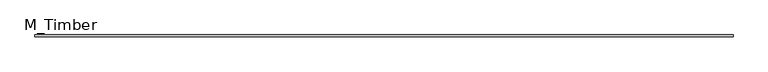
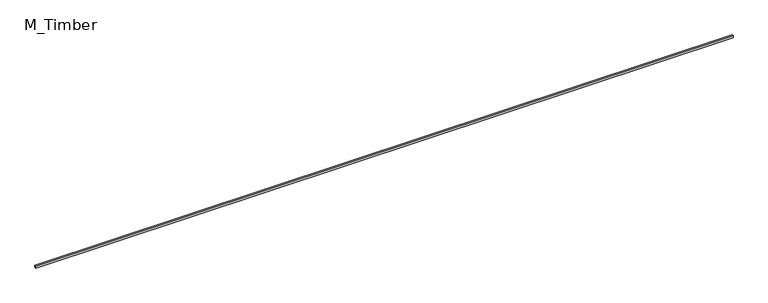
"""IFC4 building model written with IfcOpenShell, lengths in millimetres: beam geometry, M_Timber."""

from ifc_helpers import new_model, si_unit, frame, origin, place, context, project, spatial, polyline, outline, extrude, source, transform, mapped, element, save


def m_timber_33ece96e(model_context):
    return source(origin(), model_context, "Body", "SweptSolid", [
        extrude(outline(polyline([(7580.2060947, 20.0), (7580.2060947, -20.0), (-7580.2060947, -20.0), (-7580.2060947, 20.0), (7580.2060947, 20.0)])), frame((0.0, 0.0, -20.0), z_axis=(0.0, 0.0, 1.0), x_axis=(1.0, 0.0, 0.0)), (0.0, 0.0, 1.0), 40.0),
    ])


if __name__ == "__main__":
    model = new_model("IFC4")
    model_context = context("Model", 3, world=origin())
    ifc_project = project(units=[si_unit("LENGTHUNIT", "METRE", prefix="MILLI")], contexts=[model_context])
    site = spatial("IfcSite", under=ifc_project)
    building = spatial("IfcBuilding", under=site)
    placement = place(None, origin())
    m_timber_shape = m_timber_33ece96e(model_context)
    element("IfcBeam", 1, ObjectType="M_Timber", at=placement, inside=building, context=model_context, shape_type="MappedRepresentation", body=[
        mapped(m_timber_shape, transform((0.0, 0.0, 0.0), x_axis=(1.0, 0.0, 0.0), y_axis=(0.0, 1.0, 0.0), z_axis=(0.0, 0.0, 1.0))),
    ])
    save(model, "model.ifc")
